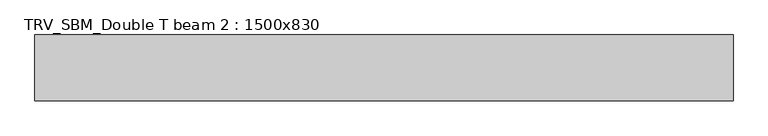
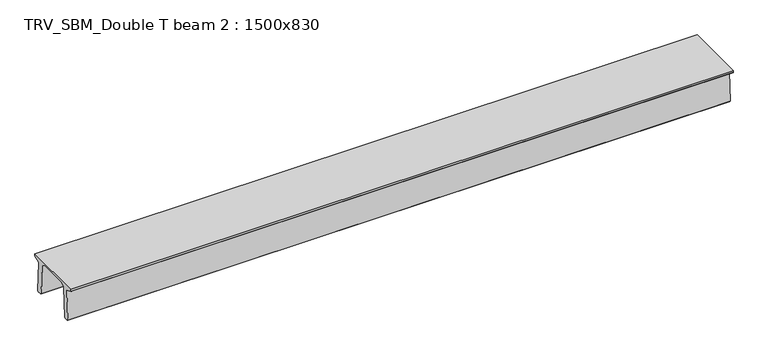
"""IFC4 building model written with IfcOpenShell, lengths in millimetres: beam geometry, TRV_SBM_Double T beam 2 : 1500x830."""

from ifc_helpers import new_model, si_unit, frame, origin, place, context, project, spatial, polyline, outline, extrude, source, transform, mapped, element, save


def trv_sbm_double_t_beam_2_1500x830_3f668ce4(model_context):
    return source(origin(), model_context, "Body", "SweptSolid", [
        extrude(outline(polyline([(337.4555014, 470.0), (-343.4555014, 470.0), (-456.5828437, 409.8491251), (-494.786332, -340.5206011), (-514.2657308, -360.0), (-604.2657308, -360.0), (-624.8277662, -339.4379646), (-586.9373878, 401.9654693), (-752.8511046, 468.9989621), (-753.0, 475.0), (-753.0, 520.0), (747.0, 520.0), (747.0, 475.0), (746.8511046, 468.9989621), (580.9373878, 401.9654693), (618.8277662, -339.4379646), (598.2657308, -360.0), (508.2657308, -360.0), (488.786332, -340.5206011), (450.5828437, 409.8491251), (337.4555014, 470.0)])), frame((-7933.0, 0.0, 0.0), z_axis=(1.0, 0.0, 0.0), x_axis=(0.0, 1.0, 0.0)), (0.0, 0.0, 1.0), 15943.0),
    ])


if __name__ == "__main__":
    model = new_model("IFC4")
    model_context = context("Model", 3, world=origin())
    ifc_project = project(units=[si_unit("LENGTHUNIT", "METRE", prefix="MILLI")], contexts=[model_context])
    site = spatial("IfcSite", under=ifc_project)
    building = spatial("IfcBuilding", under=site)
    placement = place(None, origin())
    trv_sbm_double_t_beam_2_1500x830_shape = trv_sbm_double_t_beam_2_1500x830_3f668ce4(model_context)
    element("IfcBeam", 1, ObjectType="TRV_SBM_Double T beam 2 : 1500x830", at=placement, inside=building, context=model_context, shape_type="MappedRepresentation", body=[
        mapped(trv_sbm_double_t_beam_2_1500x830_shape, transform((0.0, 0.0, 0.0), x_axis=(1.0, 0.0, 0.0), y_axis=(0.0, 1.0, 0.0), z_axis=(0.0, 0.0, 1.0))),
    ])
    save(model, "model.ifc")
